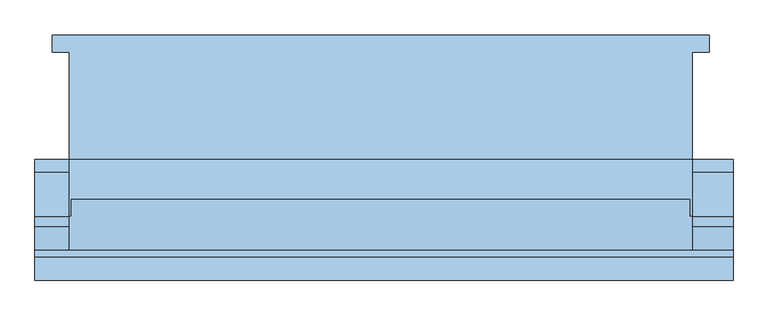
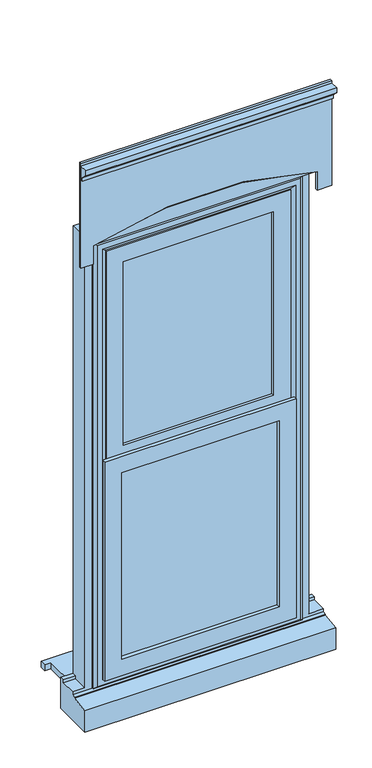
"""IFC4 building model written with IfcOpenShell, lengths in millimetres: window geometry."""

from ifc_helpers import new_model, si_unit, point, frame, frame_2d, origin, place, context, project, spatial, polyline, circle_curve, trimmed, segment, composite_curve, outline, extrude, faceted_brep, source, transform, mapped, element, save


def window_6b31116e(model_context):
    return source(origin(), model_context, "Body", "SolidModel", [
        extrude(outline(polyline([(-480.0, 161.5434322), (480.0, 161.5434322), (480.0, 136.5434322), (455.0, 136.5434322), (455.0, -20.4565678), (-455.0, -20.4565678), (-455.0, 136.5434322), (-480.0, 136.5434322), (-480.0, 161.5434322)])), frame((0.0, 0.0, 110.0), z_axis=(0.0, 0.0, 1.0), x_axis=(1.0, 0.0, 0.0)), (0.0, 0.0, 1.0), 25.0),
        faceted_brep([(-455.0, -20.4565678, 2110.0), (455.0, -20.4565678, 2110.0), (455.0, -20.4565678, 185.0), (515.0, -20.4565678, 185.0), (515.0, -20.4565678, 53.0), (-505.0, -20.4565678, 53.0), (-505.0, -20.4565678, 185.0), (-455.0, -20.4565678, 185.0), (-395.0, -20.4565678, 2050.0), (-395.0, -20.4565678, 185.0), (395.0, -20.4565678, 185.0), (395.0, -20.4565678, 2050.0), (-455.0, -38.4565678, 185.0), (-455.0, -38.4565678, 173.0), (-455.0, -103.4565678, 173.0), (-455.0, -103.4565678, 2110.0), (-505.0, -103.4565678, 173.0), (-505.0, -103.4565678, 161.0), (515.0, -103.4565678, 161.0), (515.0, -103.4565678, 173.0), (455.0, -103.4565678, 173.0), (455.0, -103.4565678, 2110.0), (-415.0, -103.4565678, 2070.0), (415.0, -103.4565678, 2070.0), (415.0, -103.4565678, 173.0), (-415.0, -103.4565678, 173.0), (-415.0, -38.4565678, 173.0), (-415.0, -38.4565678, 2070.0), (415.0, -38.4565678, 173.0), (415.0, -38.4565678, 2070.0), (-395.0, -38.4565678, 2050.0), (395.0, -38.4565678, 2050.0), (395.0, -38.4565678, 185.0), (-395.0, -38.4565678, 185.0), (-505.0, -38.4565678, 173.0), (-505.0, -38.4565678, 185.0), (515.0, -38.4565678, 185.0), (455.0, -38.4565678, 185.0), (455.0, -38.4565678, 173.0), (515.0, -38.4565678, 173.0), (515.0, -118.4565678, 159.68767), (515.0, -118.4565678, 154.7449676), (515.0, -190.9565678, 143.8088847), (515.0, -190.9565678, 53.0), (-505.0, -190.9565678, 53.0), (-505.0, -190.9565678, 143.8088847), (-505.0, -118.4565678, 154.7449676), (-505.0, -118.4565678, 159.68767)], [[[0, 1, 2, 3, 4, 5, 6, 7], [8, 9, 10, 11]], [[0, 7, 12, 13, 14, 15]], [[14, 16, 17, 18, 19, 20, 21, 15], [22, 23, 24, 25]], [[25, 26, 27, 22]], [[27, 26, 28, 29], [30, 31, 32, 33]], [[34, 13, 12, 35]], [[36, 37, 38, 39]], [[30, 33, 9, 8]], [[0, 15, 21, 1]], [[22, 27, 29, 23]], [[11, 31, 30, 8]], [[20, 38, 37, 2, 1, 21]], [[23, 29, 28, 24]], [[11, 10, 32, 31]], [[3, 36, 39, 19, 18, 40, 41, 42, 43, 4]], [[6, 5, 44, 45, 46, 47, 17, 16, 34, 35]], [[43, 44, 5, 4]], [[42, 45, 44, 43]], [[41, 46, 45, 42]], [[40, 47, 46, 41]], [[18, 17, 47, 40]], [[16, 14, 13, 34]], [[26, 25, 24, 28]], [[39, 38, 20, 19]], [[3, 2, 37, 36]], [[35, 12, 7, 6]], [[9, 33, 32, 10]]]),
        extrude(outline(polyline([(385.0, -67.4565678), (385.0, -91.4565678), (-385.0, -91.4565678), (-385.0, -67.4565678), (385.0, -67.4565678)])), frame((0.0, 0.0, 203.0), z_axis=(0.0, 0.0, 1.0), x_axis=(1.0, 0.0, 0.0)), (0.0, 0.0, 1.0), 1837.0),
        faceted_brep([(-425.0, -103.4565678, 2080.0), (-425.0, -103.4565678, 163.0), (-425.0, -111.7300705, 163.0), (-425.0, -111.7300705, 2080.0), (-415.0, -38.4565678, 2070.0), (-415.0, -38.4565678, 173.0), (-415.0, -103.4565678, 173.0), (-415.0, -103.4565678, 2070.0), (-375.0, -52.9494677, 2030.0), (-375.0, -52.9494677, 213.0), (-385.1480377, -38.4565678, 202.8519623), (-385.1480377, -38.4565678, 2040.1480377), (-375.0, -67.4565678, 2030.0), (-375.0, -67.4565678, 213.0), (-385.0, -91.4565678, 2040.0), (-385.0, -91.4565678, 203.0), (-385.0, -67.4565678, 203.0), (-385.0, -67.4565678, 2040.0), (-375.0, -109.2300705, 2030.0), (-375.0, -109.2300705, 213.0), (-375.0, -91.4565678, 213.0), (-375.0, -91.4565678, 2030.0), (-392.4457548, -120.0035732, 2047.4457548), (-392.4457548, -120.0035732, 195.5542452), (-414.2153903, -120.0035732, 173.7846097), (-414.2153903, -120.0035732, 2069.2153903), (425.0, -103.4565678, 163.0), (425.0, -111.7300705, 163.0), (415.0, -38.4565678, 173.0), (415.0, -103.4565678, 173.0), (375.0, -52.9494677, 213.0), (385.1480377, -38.4565678, 202.8519623), (375.0, -67.4565678, 213.0), (385.0, -91.4565678, 203.0), (385.0, -67.4565678, 203.0), (375.0, -109.2300705, 213.0), (375.0, -91.4565678, 213.0), (392.4457548, -120.0035732, 195.5542452), (414.2153903, -120.0035732, 173.7846097), (425.0, -103.4565678, 2080.0), (425.0, -111.7300705, 2080.0), (415.0, -38.4565678, 2070.0), (415.0, -103.4565678, 2070.0), (375.0, -52.9494677, 2030.0), (385.1480377, -38.4565678, 2040.1480377), (375.0, -67.4565678, 2030.0), (385.0, -91.4565678, 2040.0), (385.0, -67.4565678, 2040.0), (375.0, -109.2300705, 2030.0), (375.0, -91.4565678, 2030.0), (392.4457548, -120.0035732, 2047.4457548), (414.2153903, -120.0035732, 2069.2153903)], [[[0, 1, 2, 3]], [[4, 5, 6, 7]], [[8, 9, 10, 11]], [[12, 13, 9, 8]], [[14, 15, 16, 17]], [[18, 19, 20, 21]], [[22, 23, 19, 18]], [[3, 2, 24, 25]], [[1, 26, 27, 2]], [[5, 28, 29, 6]], [[9, 30, 31, 10]], [[13, 32, 30, 9]], [[15, 33, 34, 16]], [[19, 35, 36, 20]], [[23, 37, 35, 19]], [[2, 27, 38, 24]], [[26, 39, 40, 27]], [[28, 41, 42, 29]], [[30, 43, 44, 31]], [[32, 45, 43, 30]], [[33, 46, 47, 34]], [[35, 48, 49, 36]], [[37, 50, 48, 35]], [[27, 40, 51, 38]], [[39, 0, 3, 40]], [[1, 0, 39, 26], [7, 6, 29, 42]], [[41, 4, 7, 42]], [[5, 4, 41, 28], [11, 10, 31, 44]], [[43, 8, 11, 44]], [[45, 12, 8, 43]], [[17, 16, 34, 47], [13, 12, 45, 32]], [[46, 14, 17, 47]], [[15, 14, 46, 33], [21, 20, 36, 49]], [[48, 18, 21, 49]], [[50, 22, 18, 48]], [[25, 24, 38, 51], [23, 22, 50, 37]], [[40, 3, 25, 51]]]),
        extrude(outline(polyline([(1136.5, -390.0), (195.800695, -390.0), (195.800695, 390.0), (1136.5, 390.0), (1136.5, -390.0)]), holes=[polyline([(265.800695, -320.0), (1066.5, -320.0), (1066.5, 320.0), (265.800695, 320.0), (265.800695, -320.0)])]), frame((0.0, -130.9565678, 0.0), z_axis=(0.0, 1.0, 0.0), x_axis=(0.0, 0.0, 1.0)), (0.0, 0.0, 1.0), 15.9529946),
        extrude(outline(polyline([(-163.1390049, 2410.0), (-173.1390049, 2410.0), (-173.1390049, 2425.0), (-197.8877422, 2449.7487373), (-197.8877422, 2470.0), (-163.1390049, 2470.0), (-163.1390049, 2410.0)])), frame((-505.0, 0.0, 0.0), z_axis=(1.0, 0.0, 0.0), x_axis=(0.0, 1.0, 0.0)), (0.0, 0.0, 1.0), 1020.0),
        extrude(outline(composite_curve([segment(polyline([(2110.0, -455.0), (2110.0, 455.0)]), True, "CONTINUOUS"), segment(trimmed(circle_curve(frame_2d((480.6732354, 0.0)), 1691.665069), [point((2110.0, 455.0))], [point((2110.0, -455.0))], False, "CARTESIAN"), True, "CONTINUOUS")], self_intersect=False)), frame((0.0, -159.6629421, 0.0), z_axis=(0.0, 1.0, 0.0), x_axis=(0.0, 0.0, 1.0)), (0.0, 0.0, 1.0), 80.3363325),
        extrude(outline(composite_curve([segment(polyline([(2030.0, 515.0), (2480.0, 515.0), (2480.0, -505.0), (2030.0, -505.0), (2030.0, -455.0), (2110.0, -455.0)]), True, "CONTINUOUS"), segment(trimmed(circle_curve(frame_2d((680.6732354, 0.0)), 1500.0), [point((2110.0, -455.0))], [point((2110.0, 455.0))], True, "CARTESIAN"), True, "CONTINUOUS"), segment(polyline([(2110.0, 455.0), (2030.0, 455.0), (2030.0, 515.0)]), True, "CONTINUOUS")], self_intersect=False)), frame((0.0, -163.1390049, 0.0), z_axis=(0.0, 1.0, 0.0), x_axis=(0.0, 0.0, 1.0)), (0.0, 0.0, 1.0), 9.682437),
        extrude(outline(polyline([(2030.0, -375.0), (1101.5, -375.0), (1101.5, 375.0), (2030.0, 375.0), (2030.0, -375.0)]), holes=[polyline([(1170.7960231, -305.7039769), (1960.7039769, -305.7039769), (1960.7039769, 305.7039769), (1170.7960231, 305.7039769), (1170.7960231, -305.7039769)])]), frame((0.0, -115.0035732, 0.0), z_axis=(0.0, 1.0, 0.0), x_axis=(0.0, 0.0, 1.0)), (0.0, 0.0, 1.0), 11.5470054),
    ])


if __name__ == "__main__":
    model = new_model("IFC4")
    model_context = context("Model", 3, world=origin())
    ifc_project = project(units=[si_unit("LENGTHUNIT", "METRE", prefix="MILLI")], contexts=[model_context])
    site = spatial("IfcSite", under=ifc_project)
    building = spatial("IfcBuilding", under=site)
    placement = place(None, origin())
    window_shape = window_6b31116e(model_context)
    element("IfcWindow", 1, at=placement, inside=building, context=model_context, shape_type="MappedRepresentation", body=[
        mapped(window_shape, transform((0.0, 0.0, 0.0), x_axis=(1.0, 0.0, 0.0), y_axis=(0.0, 1.0, 0.0), z_axis=(0.0, 0.0, 1.0))),
    ])
    save(model, "model.ifc")
